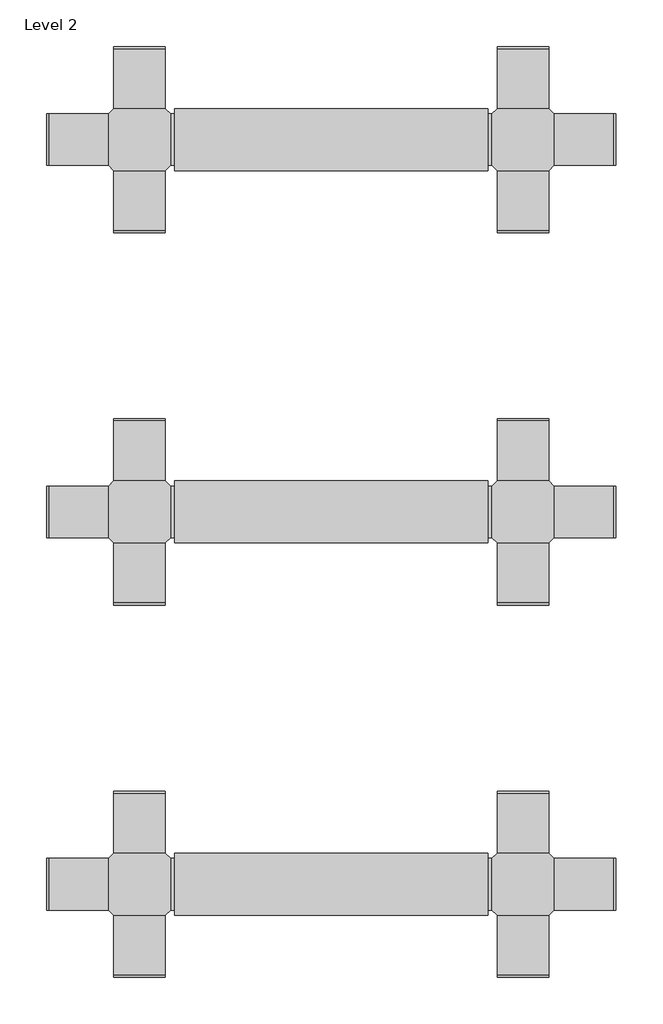
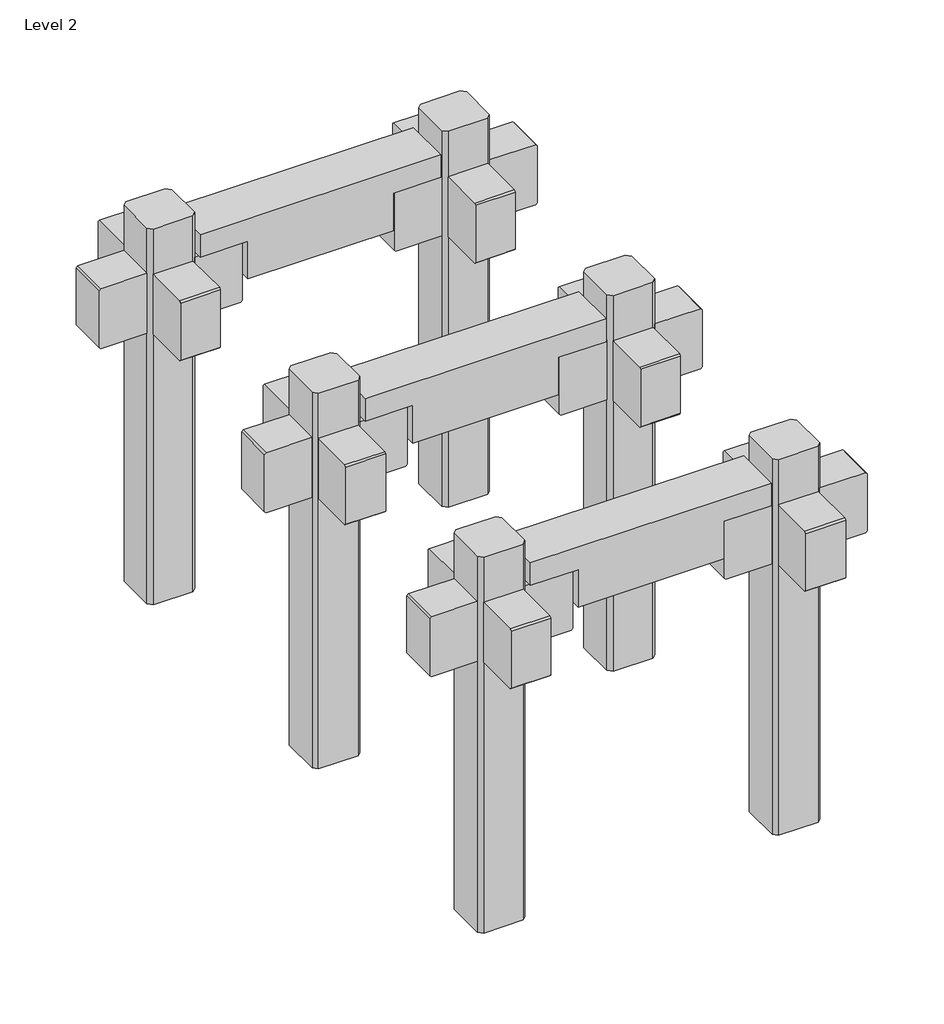
# One storey: 6 columns, 3 beams.
"""IFC4 building model written with IfcOpenShell, lengths in millimetres."""

import ifcopenshell
import ifcopenshell.guid

model = None  # the IFC model being written
_history = None  # IfcOwnerHistory: only IFC2X3 demands one
_inside = {}  # id of a spatial element -> (the spatial element, [elements in it])
_under = {}  # id of a project, library or spatial element -> (it, [spatial elements below it])
_declared = {}  # id of a project -> (the project, [libraries it declares])
_typed = {}  # id of a type object -> (the type object, [elements of that type])
_made_of = {}  # id of a material, layer set ... -> (it, [elements and type objects made of it])


def new_model(schema):
    """Start an empty IFC model of exactly this schema.

    Asked for "IFC4X3", IfcOpenShell would pick the latest addendum, in which some entities
    have other attributes; the version numbers below select the first issue.
    IFC2X3 requires an IfcOwnerHistory on every rooted entity: one is made here for all.
    """
    global model, _history
    if schema == "IFC4X3":
        model = ifcopenshell.file(schema_version=(4, 3, 0, 0))
    else:
        model = ifcopenshell.file(schema=schema)
    _inside.clear()
    _under.clear()
    _declared.clear()
    _typed.clear()
    _made_of.clear()
    _history = None
    if model.schema == "IFC2X3":
        org = make("IfcOrganization", Name="unknown")
        user = make(
            "IfcPersonAndOrganization",
            ThePerson=make("IfcPerson", FamilyName="unknown"),
            TheOrganization=org,
        )
        app = make(
            "IfcApplication",
            ApplicationDeveloper=org,
            Version="unknown",
            ApplicationFullName="unknown",
            ApplicationIdentifier="unknown",
        )
        _history = make(
            "IfcOwnerHistory",
            OwningUser=user,
            OwningApplication=app,
            ChangeAction="ADDED",
            CreationDate=0,
        )
    return model


def make(cls, **values):
    """One entity of the class cls with the attributes given. An attribute that is None is left unset."""
    return model.create_entity(
        cls, **{name: value for name, value in values.items() if value is not None}
    )


def rooted(cls, **values):
    """An entity with a GlobalId (a new one), such as an element, a storey or a relation."""
    return make(cls, GlobalId=ifcopenshell.guid.new(), OwnerHistory=_history, **values)


def si_unit(unit_type, name, prefix=None):
    """IfcSIUnit, for example si_unit("LENGTHUNIT", "METRE", prefix="MILLI")."""
    return make("IfcSIUnit", UnitType=unit_type, Prefix=prefix, Name=name)


def assignment(units):
    """IfcUnitAssignment: the units of a project."""
    return None if units is None else make("IfcUnitAssignment", Units=units)


def point(xyz):
    """IfcCartesianPoint."""
    return None if xyz is None else make("IfcCartesianPoint", Coordinates=xyz)


def direction(xyz):
    """IfcDirection."""
    return None if xyz is None else make("IfcDirection", DirectionRatios=xyz)


def frame(location, z_axis=None, x_axis=None):
    """IfcAxis2Placement3D, a coordinate frame: its origin and axes. An axis left out is left unset."""
    return make(
        "IfcAxis2Placement3D",
        Location=point(location),
        Axis=direction(z_axis),
        RefDirection=direction(x_axis),
    )


def origin():
    """The frame at (0, 0, 0) with its axes left unset."""
    return frame((0.0, 0.0, 0.0))


def place(relative_to, where):
    """IfcLocalPlacement: puts the frame where relative to a parent placement (None: the world)."""
    return make(
        "IfcLocalPlacement", PlacementRelTo=relative_to, RelativePlacement=where
    )


def context(
    kind, dimensions, precision=None, world=None, true_north=None, identifier=None
):
    """IfcGeometricRepresentationContext, for example the 3D "Model" context."""
    return make(
        "IfcGeometricRepresentationContext",
        ContextIdentifier=identifier,
        ContextType=kind,
        CoordinateSpaceDimension=dimensions,
        Precision=precision,
        WorldCoordinateSystem=world,
        TrueNorth=true_north,
    )


def project(units=None, contexts=None):
    """IfcProject with its units and contexts."""
    return rooted(
        "IfcProject",
        Name="project",
        RepresentationContexts=contexts,
        UnitsInContext=assignment(units),
    )


def spatial(cls, under=None, at=None, **own):
    """A site, building, storey or space (cls), placed at a placement, below another one or the project."""
    s = rooted(cls, ObjectPlacement=at, **own)
    if under is not None:
        _under.setdefault(under.id(), (under, []))[1].append(s)
    return s


def polyline(points):
    """IfcPolyline through the points."""
    return make("IfcPolyline", Points=[point(p) for p in points])


def outline(outer, holes=None, kind="AREA"):
    """IfcArbitraryClosedProfileDef: a profile drawn as a closed curve; with holes, ...WithVoids."""
    if holes is None:
        return make("IfcArbitraryClosedProfileDef", ProfileType=kind, OuterCurve=outer)
    return make(
        "IfcArbitraryProfileDefWithVoids",
        ProfileType=kind,
        OuterCurve=outer,
        InnerCurves=holes,
    )


def extrude(swept, where, along, depth):
    """IfcExtrudedAreaSolid: the profile swept, set in the frame where, extruded along a direction by depth."""
    return make(
        "IfcExtrudedAreaSolid",
        SweptArea=swept,
        Position=where,
        ExtrudedDirection=direction(along),
        Depth=depth,
    )


def shape(context_of_items, identifier, shape_type, items):
    """IfcShapeRepresentation: the items that make up one representation, for example the "Body"."""
    return make(
        "IfcShapeRepresentation",
        ContextOfItems=context_of_items,
        RepresentationIdentifier=identifier,
        RepresentationType=shape_type,
        Items=items,
    )


def source(mapping_origin, context_of_items, identifier, shape_type, items):
    """IfcRepresentationMap: a shape defined once, which mapped items show again and again."""
    return make(
        "IfcRepresentationMap",
        MappingOrigin=mapping_origin,
        MappedRepresentation=shape(context_of_items, identifier, shape_type, items),
    )


def transform(
    local_origin,
    x_axis=None,
    y_axis=None,
    z_axis=None,
    scale=None,
    scale2=None,
    scale3=None,
    uniform=True,
):
    """IfcCartesianTransformationOperator3D, or its non-uniform kind. x_axis, y_axis, z_axis: its Axis1, 2, 3."""
    if uniform:
        return make(
            "IfcCartesianTransformationOperator3D",
            Axis1=direction(x_axis),
            Axis2=direction(y_axis),
            LocalOrigin=point(local_origin),
            Scale=scale,
            Axis3=direction(z_axis),
        )
    return make(
        "IfcCartesianTransformationOperator3DnonUniform",
        Axis1=direction(x_axis),
        Axis2=direction(y_axis),
        LocalOrigin=point(local_origin),
        Scale=scale,
        Axis3=direction(z_axis),
        Scale2=scale2,
        Scale3=scale3,
    )


def mapped(mapping_source, mapping_target):
    """IfcMappedItem: shows the shape of a source again, moved by a transform."""
    return make(
        "IfcMappedItem", MappingSource=mapping_source, MappingTarget=mapping_target
    )


def made_of(thing, what):
    """Note that an element or type object is made of a material, layer set ...; save() writes the relation."""
    if what is not None:
        _made_of.setdefault(what.id(), (what, []))[1].append(thing)
    return thing


def element(
    cls,
    number,
    at=None,
    inside=None,
    cuts=None,
    type_object=None,
    material=None,
    context=None,
    identifier="Body",
    shape_type=None,
    held_by="IfcProductDefinitionShape",
    body=None,
    shapes=None,
    **own,
):
    """One element of the class cls, such as IfcWall. Its Tag is "e" and its number.

    at: its placement. inside: the storey or other place that contains it. cuts: it is an
    opening in that element (IfcRelVoidsElement). A single representation is given by context,
    identifier, shape_type and body (its items); several are given by shapes. held_by: the class
    of the entity that holds the representations. save() writes the other relations.
    """
    e = rooted(cls, Tag="e%d" % number, ObjectPlacement=at, **own)
    if body is not None:
        shapes = [shape(context, identifier, shape_type, body)]
    if shapes is not None:
        e.Representation = make(held_by, Representations=shapes)
    if inside is not None:
        _inside.setdefault(inside.id(), (inside, []))[1].append(e)
    if cuts is not None:
        rooted(
            "IfcRelVoidsElement", RelatingBuildingElement=cuts, RelatedOpeningElement=e
        )
    if type_object is not None:
        _typed.setdefault(type_object.id(), (type_object, []))[1].append(e)
    return made_of(e, material)


def aggregate(whole, parts):
    """IfcRelAggregates: a whole, such as a stair, and the parts it consists of."""
    return rooted("IfcRelAggregates", RelatingObject=whole, RelatedObjects=parts)


def save(model, path):
    """Write the relations noted so far, then the file.

    IfcRelAggregates (storeys below a building ...), IfcRelContainedInSpatialStructure (elements
    in a storey), IfcRelDefinesByType, IfcRelAssociatesMaterial and IfcRelDeclares: one each for
    every whole, place, type object, material and project.
    """
    for whole, parts in _under.values():
        aggregate(whole, parts)
    for where, things in _inside.values():
        rooted(
            "IfcRelContainedInSpatialStructure",
            RelatedElements=things,
            RelatingStructure=where,
        )
    for kind, things in _typed.values():
        rooted("IfcRelDefinesByType", RelatedObjects=things, RelatingType=kind)
    for what, things in _made_of.values():
        rooted("IfcRelAssociatesMaterial", RelatedObjects=things, RelatingMaterial=what)
    for by, libraries in _declared.values():
        rooted("IfcRelDeclares", RelatingContext=by, RelatedDefinitions=libraries)
    model.write(path)


def m_precast_rectangular_beam_with_cut_end_300x400_double_sides_42b9cb22(model_context):
    return source(origin(), model_context, "Body", "SweptSolid", [
        extrude(outline(polyline([(200.0, 757.6), (200.0, -757.6), (50.0, -757.6), (50.0, -457.6), (-200.0, -457.6), (-200.0, 457.6), (50.0, 457.6), (50.0, 757.6), (200.0, 757.6)])), frame((0.0, -150.0, 0.0), z_axis=(0.0, 1.0, 0.0), x_axis=(0.0, 0.0, 1.0)), (0.0, 0.0, 1.0), 300.0),
    ])


def column_300_x_300_6ad12286(model_context):
    return source(origin(), model_context, "Body", "SweptSolid", [
        extrude(outline(polyline([(2700.0, -440.0), (2690.0, -450.0), (2310.0, -450.0), (2300.0, -440.0), (2300.0, -150.0), (2700.0, -150.0), (2700.0, -440.0)])), frame((0.0, -125.0, 0.0), z_axis=(0.0, 1.0, 0.0), x_axis=(0.0, 0.0, 1.0)), (0.0, 0.0, 1.0), 250.0),
        extrude(outline(polyline([(-440.0, 2700.0), (-150.0, 2700.0), (-150.0, 2300.0), (-440.0, 2300.0), (-450.0, 2310.0), (-450.0, 2690.0), (-440.0, 2700.0)])), frame((-125.0, 0.0, 0.0), z_axis=(1.0, 0.0, 0.0), x_axis=(0.0, 1.0, 0.0)), (0.0, 0.0, 1.0), 250.0),
        extrude(outline(polyline([(440.0, 2700.0), (450.0, 2690.0), (450.0, 2310.0), (440.0, 2300.0), (150.0, 2300.0), (150.0, 2700.0), (440.0, 2700.0)])), frame((-125.0, 0.0, 0.0), z_axis=(1.0, 0.0, 0.0), x_axis=(0.0, 1.0, 0.0)), (0.0, 0.0, 1.0), 250.0),
        extrude(outline(polyline([(2700.0, 440.0), (2700.0, 150.0), (2300.0, 150.0), (2300.0, 440.0), (2310.0, 450.0), (2690.0, 450.0), (2700.0, 440.0)])), frame((0.0, -125.0, 0.0), z_axis=(0.0, 1.0, 0.0), x_axis=(0.0, 0.0, 1.0)), (0.0, 0.0, 1.0), 250.0),
        extrude(outline(polyline([(125.0, 150.0), (150.0, 125.0), (150.0, -125.0), (125.0, -150.0), (-125.0, -150.0), (-150.0, -125.0), (-150.0, 125.0), (-125.0, 150.0), (125.0, 150.0)])), frame((0.0, 0.0, 500.0), z_axis=(0.0, 0.0, 1.0), x_axis=(1.0, 0.0, 0.0)), (0.0, 0.0, 1.0), 2500.0),
    ])


model = new_model("IFC4")

# Units and contexts
model_context = context("Model", 3, world=origin())
ifc_project = project(units=[si_unit("LENGTHUNIT", "METRE", prefix="MILLI")], contexts=[model_context])

# Site, building, storey
site = spatial("IfcSite", under=ifc_project)
building = spatial("IfcBuilding", under=site)
storey = spatial("IfcBuildingStorey", under=building, Name="Level 2", Elevation=3000.0)

# Beams
placement = place(None, origin())
m_precast_rectangular_beam_with_cut_end_300x400_double_sides_shape = m_precast_rectangular_beam_with_cut_end_300x400_double_sides_42b9cb22(model_context)
element("IfcBeam", 1, ObjectType="M_Precast-Rectangular Beam with Cut End : 300x400-Double Sides Cut", at=placement, inside=storey, context=model_context, shape_type="MappedRepresentation", body=[
    mapped(m_precast_rectangular_beam_with_cut_end_300x400_double_sides_shape, transform((-6665.5444965, -5751.7950579, 2660.0), x_axis=(1.0, 0.0, 0.0), y_axis=(0.0, 1.0, 0.0), z_axis=(0.0, 0.0, 1.0))),
])
element("IfcBeam", 2, ObjectType="M_Precast-Rectangular Beam with Cut End : 300x400-Double Sides Cut", at=placement, inside=storey, context=model_context, shape_type="MappedRepresentation", body=[
    mapped(m_precast_rectangular_beam_with_cut_end_300x400_double_sides_shape, transform((-6665.5444965, -3951.7950579, 2660.0), x_axis=(1.0, 0.0, 0.0), y_axis=(0.0, 1.0, 0.0), z_axis=(0.0, 0.0, 1.0))),
])
element("IfcBeam", 3, ObjectType="M_Precast-Rectangular Beam with Cut End : 300x400-Double Sides Cut", at=placement, inside=storey, context=model_context, shape_type="MappedRepresentation", body=[
    mapped(m_precast_rectangular_beam_with_cut_end_300x400_double_sides_shape, transform((-6665.5444965, -2151.7950579, 2660.0), x_axis=(1.0, 0.0, 0.0), y_axis=(0.0, 1.0, 0.0), z_axis=(0.0, 0.0, 1.0))),
])

# Columns
column_300_x_300_shape = column_300_x_300_6ad12286(model_context)
element("IfcColumn", 4, ObjectType="300 x 300", at=placement, inside=storey, context=model_context, shape_type="MappedRepresentation", body=[
    mapped(column_300_x_300_shape, transform((-7593.1444965, -5751.7950579, 0.0), x_axis=(1.0, 0.0, 0.0), y_axis=(0.0, 1.0, 0.0), z_axis=(0.0, 0.0, 1.0))),
])
element("IfcColumn", 5, ObjectType="300 x 300", at=placement, inside=storey, context=model_context, shape_type="MappedRepresentation", body=[
    mapped(column_300_x_300_shape, transform((-5737.9444965, -5751.7950579, 0.0), x_axis=(1.0, 0.0, 0.0), y_axis=(0.0, 1.0, 0.0), z_axis=(0.0, 0.0, 1.0))),
])
element("IfcColumn", 6, ObjectType="300 x 300", at=placement, inside=storey, context=model_context, shape_type="MappedRepresentation", body=[
    mapped(column_300_x_300_shape, transform((-7593.1444965, -3951.7950579, 0.0), x_axis=(1.0, 0.0, 0.0), y_axis=(0.0, 1.0, 0.0), z_axis=(0.0, 0.0, 1.0))),
])
element("IfcColumn", 7, ObjectType="300 x 300", at=placement, inside=storey, context=model_context, shape_type="MappedRepresentation", body=[
    mapped(column_300_x_300_shape, transform((-5737.9444965, -3951.7950579, 0.0), x_axis=(1.0, 0.0, 0.0), y_axis=(0.0, 1.0, 0.0), z_axis=(0.0, 0.0, 1.0))),
])
element("IfcColumn", 8, ObjectType="300 x 300", at=placement, inside=storey, context=model_context, shape_type="MappedRepresentation", body=[
    mapped(column_300_x_300_shape, transform((-7593.1444965, -2151.7950579, 0.0), x_axis=(1.0, 0.0, 0.0), y_axis=(0.0, 1.0, 0.0), z_axis=(0.0, 0.0, 1.0))),
])
element("IfcColumn", 9, ObjectType="300 x 300", at=placement, inside=storey, context=model_context, shape_type="MappedRepresentation", body=[
    mapped(column_300_x_300_shape, transform((-5737.9444965, -2151.7950579, 0.0), x_axis=(1.0, 0.0, 0.0), y_axis=(0.0, 1.0, 0.0), z_axis=(0.0, 0.0, 1.0))),
])

save(model, "model.ifc")
